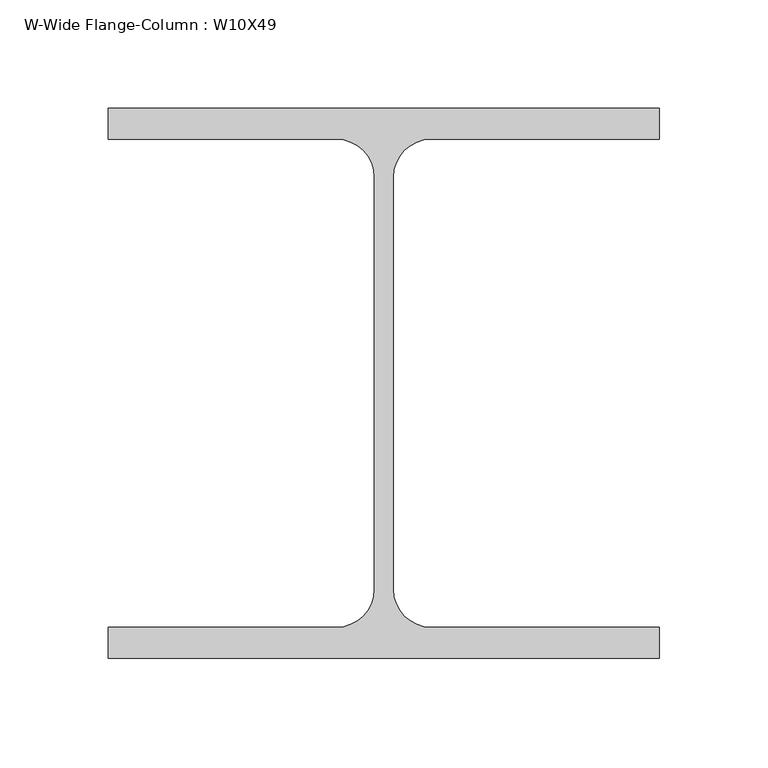
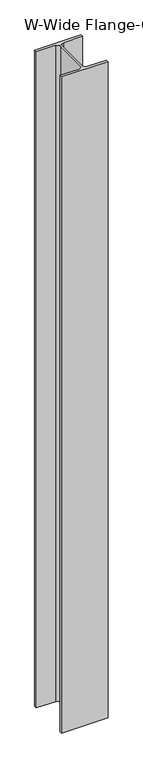
"""IFC4 building model written with IfcOpenShell, lengths in millimetres: column geometry, W-Wide Flange-Column : W10X49."""

from ifc_helpers import new_model, si_unit, point, frame, frame_2d, origin, place, context, project, spatial, polyline, circle_curve, trimmed, segment, composite_curve, outline, extrude, source, transform, mapped, element, save


def w_wide_flange_column_w10x49_9797ba89(model_context):
    return source(origin(), model_context, "Body", "SweptSolid", [
        extrude(outline(composite_curve([segment(polyline([(127.0, 126.7519531), (127.0, 112.5636719), (21.8777344, 112.5636719)]), True, "CONTINUOUS"), segment(trimmed(circle_curve(frame_2d((21.8777344, 95.0019531)), 17.5617188), [point((21.8777344, 112.5636719))], [point((4.3160156, 95.0019531))], True, "CARTESIAN"), True, "CONTINUOUS"), segment(polyline([(4.3160156, 95.0019531), (4.3160156, -95.0019531)]), True, "CONTINUOUS"), segment(trimmed(circle_curve(frame_2d((21.8777344, -95.0019531)), 17.5617187), [point((4.3160156, -95.0019531))], [point((21.8777344, -112.5636719))], True, "CARTESIAN"), True, "CONTINUOUS"), segment(polyline([(21.8777344, -112.5636719), (127.0, -112.5636719), (127.0, -126.7519531), (-127.0, -126.7519531), (-127.0, -112.5636719), (-21.8777344, -112.5636719)]), True, "CONTINUOUS"), segment(trimmed(circle_curve(frame_2d((-21.8777344, -95.0019531)), 17.5617187), [point((-21.8777344, -112.5636719))], [point((-4.3160156, -95.0019531))], True, "CARTESIAN"), True, "CONTINUOUS"), segment(polyline([(-4.3160156, -95.0019531), (-4.3160156, 95.0019531)]), True, "CONTINUOUS"), segment(trimmed(circle_curve(frame_2d((-21.8777344, 95.0019531)), 17.5617188), [point((-4.3160156, 95.0019531))], [point((-21.8777344, 112.5636719))], True, "CARTESIAN"), True, "CONTINUOUS"), segment(polyline([(-21.8777344, 112.5636719), (-127.0, 112.5636719), (-127.0, 126.7519531), (127.0, 126.7519531)]), True, "CONTINUOUS")], self_intersect=False)), frame((0.0, 0.0, 22136.1), z_axis=(0.0, 0.0, 1.0), x_axis=(1.0, 0.0, 0.0)), (0.0, 0.0, 1.0), 3784.6),
    ])


if __name__ == "__main__":
    model = new_model("IFC4")
    model_context = context("Model", 3, world=origin())
    ifc_project = project(units=[si_unit("LENGTHUNIT", "METRE", prefix="MILLI")], contexts=[model_context])
    site = spatial("IfcSite", under=ifc_project)
    building = spatial("IfcBuilding", under=site)
    placement = place(None, origin())
    w_wide_flange_column_w10x49_shape = w_wide_flange_column_w10x49_9797ba89(model_context)
    element("IfcColumn", 1, ObjectType="W-Wide Flange-Column : W10X49", at=placement, inside=building, context=model_context, shape_type="MappedRepresentation", body=[
        mapped(w_wide_flange_column_w10x49_shape, transform((0.0, 0.0, 0.0), x_axis=(1.0, 0.0, 0.0), y_axis=(0.0, 1.0, 0.0), z_axis=(0.0, 0.0, 1.0))),
    ])
    save(model, "model.ifc")
